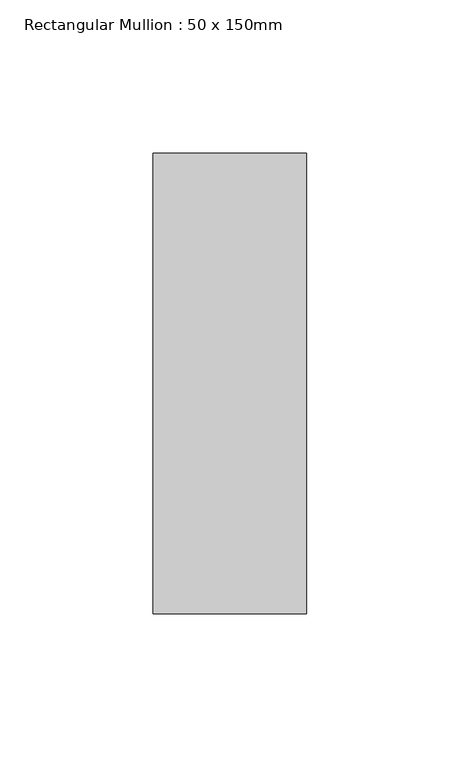
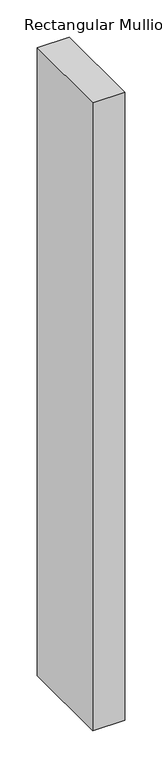
"""IFC4 building model written with IfcOpenShell, lengths in millimetres: member geometry, Rectangular Mullion : 50 x 150mm."""

from ifc_helpers import new_model, si_unit, frame, origin, place, context, project, spatial, polyline, outline, extrude, source, transform, mapped, element, save


def rectangular_mullion_50_x_150mm_b5964e38(model_context):
    return source(origin(), model_context, "Body", "SweptSolid", [
        extrude(outline(polyline([(25.0, 75.0), (25.0, -75.0), (-25.0, -75.0), (-25.0, 75.0), (25.0, 75.0)])), frame((0.0, 0.0, -1035.85), z_axis=(0.0, 0.0, 1.0), x_axis=(1.0, 0.0, 0.0)), (0.0, 0.0, 1.0), 1035.85),
    ])


if __name__ == "__main__":
    model = new_model("IFC4")
    model_context = context("Model", 3, world=origin())
    ifc_project = project(units=[si_unit("LENGTHUNIT", "METRE", prefix="MILLI")], contexts=[model_context])
    site = spatial("IfcSite", under=ifc_project)
    building = spatial("IfcBuilding", under=site)
    placement = place(None, origin())
    rectangular_mullion_50_x_150mm_shape = rectangular_mullion_50_x_150mm_b5964e38(model_context)
    element("IfcMember", 1, ObjectType="Rectangular Mullion : 50 x 150mm", at=placement, inside=building, context=model_context, shape_type="MappedRepresentation", body=[
        mapped(rectangular_mullion_50_x_150mm_shape, transform((0.0, 0.0, 0.0), x_axis=(1.0, 0.0, 0.0), y_axis=(0.0, 1.0, 0.0), z_axis=(0.0, 0.0, 1.0))),
    ])
    save(model, "model.ifc")
